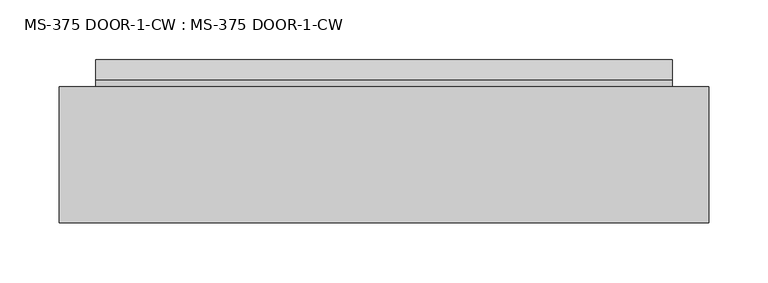
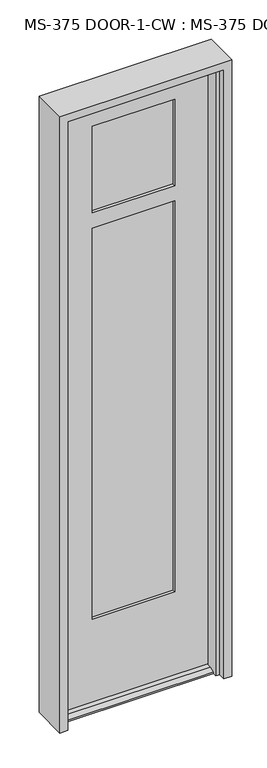
"""IFC4 building model written with IfcOpenShell, lengths in millimetres: plate geometry, MS-375 DOOR-1-CW : MS-375 DOOR-1-CW."""

import ifcopenshell
import ifcopenshell.guid

model = None  # the IFC model being written
_history = None  # IfcOwnerHistory: only IFC2X3 demands one
_inside = {}  # id of a spatial element -> (the spatial element, [elements in it])
_under = {}  # id of a project, library or spatial element -> (it, [spatial elements below it])
_declared = {}  # id of a project -> (the project, [libraries it declares])
_typed = {}  # id of a type object -> (the type object, [elements of that type])
_made_of = {}  # id of a material, layer set ... -> (it, [elements and type objects made of it])


def new_model(schema):
    """Start an empty IFC model of exactly this schema.

    Asked for "IFC4X3", IfcOpenShell would pick the latest addendum, in which some entities
    have other attributes; the version numbers below select the first issue.
    IFC2X3 requires an IfcOwnerHistory on every rooted entity: one is made here for all.
    """
    global model, _history
    if schema == "IFC4X3":
        model = ifcopenshell.file(schema_version=(4, 3, 0, 0))
    else:
        model = ifcopenshell.file(schema=schema)
    _inside.clear()
    _under.clear()
    _declared.clear()
    _typed.clear()
    _made_of.clear()
    _history = None
    if model.schema == "IFC2X3":
        org = make("IfcOrganization", Name="unknown")
        user = make(
            "IfcPersonAndOrganization",
            ThePerson=make("IfcPerson", FamilyName="unknown"),
            TheOrganization=org,
        )
        app = make(
            "IfcApplication",
            ApplicationDeveloper=org,
            Version="unknown",
            ApplicationFullName="unknown",
            ApplicationIdentifier="unknown",
        )
        _history = make(
            "IfcOwnerHistory",
            OwningUser=user,
            OwningApplication=app,
            ChangeAction="ADDED",
            CreationDate=0,
        )
    return model


def make(cls, **values):
    """One entity of the class cls with the attributes given. An attribute that is None is left unset."""
    return model.create_entity(
        cls, **{name: value for name, value in values.items() if value is not None}
    )


def rooted(cls, **values):
    """An entity with a GlobalId (a new one), such as an element, a storey or a relation."""
    return make(cls, GlobalId=ifcopenshell.guid.new(), OwnerHistory=_history, **values)


def si_unit(unit_type, name, prefix=None):
    """IfcSIUnit, for example si_unit("LENGTHUNIT", "METRE", prefix="MILLI")."""
    return make("IfcSIUnit", UnitType=unit_type, Prefix=prefix, Name=name)


def assignment(units):
    """IfcUnitAssignment: the units of a project."""
    return None if units is None else make("IfcUnitAssignment", Units=units)


def point(xyz):
    """IfcCartesianPoint."""
    return None if xyz is None else make("IfcCartesianPoint", Coordinates=xyz)


def direction(xyz):
    """IfcDirection."""
    return None if xyz is None else make("IfcDirection", DirectionRatios=xyz)


def frame(location, z_axis=None, x_axis=None):
    """IfcAxis2Placement3D, a coordinate frame: its origin and axes. An axis left out is left unset."""
    return make(
        "IfcAxis2Placement3D",
        Location=point(location),
        Axis=direction(z_axis),
        RefDirection=direction(x_axis),
    )


def origin():
    """The frame at (0, 0, 0) with its axes left unset."""
    return frame((0.0, 0.0, 0.0))


def place(relative_to, where):
    """IfcLocalPlacement: puts the frame where relative to a parent placement (None: the world)."""
    return make(
        "IfcLocalPlacement", PlacementRelTo=relative_to, RelativePlacement=where
    )


def context(
    kind, dimensions, precision=None, world=None, true_north=None, identifier=None
):
    """IfcGeometricRepresentationContext, for example the 3D "Model" context."""
    return make(
        "IfcGeometricRepresentationContext",
        ContextIdentifier=identifier,
        ContextType=kind,
        CoordinateSpaceDimension=dimensions,
        Precision=precision,
        WorldCoordinateSystem=world,
        TrueNorth=true_north,
    )


def project(units=None, contexts=None):
    """IfcProject with its units and contexts."""
    return rooted(
        "IfcProject",
        Name="project",
        RepresentationContexts=contexts,
        UnitsInContext=assignment(units),
    )


def spatial(cls, under=None, at=None, **own):
    """A site, building, storey or space (cls), placed at a placement, below another one or the project."""
    s = rooted(cls, ObjectPlacement=at, **own)
    if under is not None:
        _under.setdefault(under.id(), (under, []))[1].append(s)
    return s


def polyline(points):
    """IfcPolyline through the points."""
    return make("IfcPolyline", Points=[point(p) for p in points])


def outline(outer, holes=None, kind="AREA"):
    """IfcArbitraryClosedProfileDef: a profile drawn as a closed curve; with holes, ...WithVoids."""
    if holes is None:
        return make("IfcArbitraryClosedProfileDef", ProfileType=kind, OuterCurve=outer)
    return make(
        "IfcArbitraryProfileDefWithVoids",
        ProfileType=kind,
        OuterCurve=outer,
        InnerCurves=holes,
    )


def extrude(swept, where, along, depth):
    """IfcExtrudedAreaSolid: the profile swept, set in the frame where, extruded along a direction by depth."""
    return make(
        "IfcExtrudedAreaSolid",
        SweptArea=swept,
        Position=where,
        ExtrudedDirection=direction(along),
        Depth=depth,
    )


def faces_of(points, faces, orient=None, outer=None):
    """IfcFace entities. A face is a list of loops; a loop is a list of indices into points, from 0.

    orient and outer hold one flag for each loop. By default every Orientation is true, the
    first loop of a face is its IfcFaceOuterBound and the others are IfcFaceBound.
    """
    made = []
    for i, loops in enumerate(faces):
        bounds = []
        for j, loop in enumerate(loops):
            is_outer = j == 0 if outer is None else outer[i][j]
            bounds.append(
                make(
                    "IfcFaceOuterBound" if is_outer else "IfcFaceBound",
                    Bound=make("IfcPolyLoop", Polygon=[points[k] for k in loop]),
                    Orientation=True if orient is None else orient[i][j],
                )
            )
        made.append(make("IfcFace", Bounds=bounds))
    return made


def faceted_brep(points, faces, orient=None, outer=None, voids=None):
    """IfcFacetedBrep: a solid bounded by flat faces; with voids (closed shells), ...WithVoids."""
    shared = [point(p) for p in points]
    hull = make("IfcClosedShell", CfsFaces=faces_of(shared, faces, orient, outer))
    if voids is None:
        return make("IfcFacetedBrep", Outer=hull)
    return make(
        "IfcFacetedBrepWithVoids",
        Outer=hull,
        Voids=[
            make(cls, CfsFaces=faces_of(shared, fs, o, b)) for cls, fs, o, b in voids
        ],
    )


def shape(context_of_items, identifier, shape_type, items):
    """IfcShapeRepresentation: the items that make up one representation, for example the "Body"."""
    return make(
        "IfcShapeRepresentation",
        ContextOfItems=context_of_items,
        RepresentationIdentifier=identifier,
        RepresentationType=shape_type,
        Items=items,
    )


def source(mapping_origin, context_of_items, identifier, shape_type, items):
    """IfcRepresentationMap: a shape defined once, which mapped items show again and again."""
    return make(
        "IfcRepresentationMap",
        MappingOrigin=mapping_origin,
        MappedRepresentation=shape(context_of_items, identifier, shape_type, items),
    )


def transform(
    local_origin,
    x_axis=None,
    y_axis=None,
    z_axis=None,
    scale=None,
    scale2=None,
    scale3=None,
    uniform=True,
):
    """IfcCartesianTransformationOperator3D, or its non-uniform kind. x_axis, y_axis, z_axis: its Axis1, 2, 3."""
    if uniform:
        return make(
            "IfcCartesianTransformationOperator3D",
            Axis1=direction(x_axis),
            Axis2=direction(y_axis),
            LocalOrigin=point(local_origin),
            Scale=scale,
            Axis3=direction(z_axis),
        )
    return make(
        "IfcCartesianTransformationOperator3DnonUniform",
        Axis1=direction(x_axis),
        Axis2=direction(y_axis),
        LocalOrigin=point(local_origin),
        Scale=scale,
        Axis3=direction(z_axis),
        Scale2=scale2,
        Scale3=scale3,
    )


def mapped(mapping_source, mapping_target):
    """IfcMappedItem: shows the shape of a source again, moved by a transform."""
    return make(
        "IfcMappedItem", MappingSource=mapping_source, MappingTarget=mapping_target
    )


def made_of(thing, what):
    """Note that an element or type object is made of a material, layer set ...; save() writes the relation."""
    if what is not None:
        _made_of.setdefault(what.id(), (what, []))[1].append(thing)
    return thing


def element(
    cls,
    number,
    at=None,
    inside=None,
    cuts=None,
    type_object=None,
    material=None,
    context=None,
    identifier="Body",
    shape_type=None,
    held_by="IfcProductDefinitionShape",
    body=None,
    shapes=None,
    **own,
):
    """One element of the class cls, such as IfcWall. Its Tag is "e" and its number.

    at: its placement. inside: the storey or other place that contains it. cuts: it is an
    opening in that element (IfcRelVoidsElement). A single representation is given by context,
    identifier, shape_type and body (its items); several are given by shapes. held_by: the class
    of the entity that holds the representations. save() writes the other relations.
    """
    e = rooted(cls, Tag="e%d" % number, ObjectPlacement=at, **own)
    if body is not None:
        shapes = [shape(context, identifier, shape_type, body)]
    if shapes is not None:
        e.Representation = make(held_by, Representations=shapes)
    if inside is not None:
        _inside.setdefault(inside.id(), (inside, []))[1].append(e)
    if cuts is not None:
        rooted(
            "IfcRelVoidsElement", RelatingBuildingElement=cuts, RelatedOpeningElement=e
        )
    if type_object is not None:
        _typed.setdefault(type_object.id(), (type_object, []))[1].append(e)
    return made_of(e, material)


def aggregate(whole, parts):
    """IfcRelAggregates: a whole, such as a stair, and the parts it consists of."""
    return rooted("IfcRelAggregates", RelatingObject=whole, RelatedObjects=parts)


def save(model, path):
    """Write the relations noted so far, then the file.

    IfcRelAggregates (storeys below a building ...), IfcRelContainedInSpatialStructure (elements
    in a storey), IfcRelDefinesByType, IfcRelAssociatesMaterial and IfcRelDeclares: one each for
    every whole, place, type object, material and project.
    """
    for whole, parts in _under.values():
        aggregate(whole, parts)
    for where, things in _inside.values():
        rooted(
            "IfcRelContainedInSpatialStructure",
            RelatedElements=things,
            RelatingStructure=where,
        )
    for kind, things in _typed.values():
        rooted("IfcRelDefinesByType", RelatedObjects=things, RelatingType=kind)
    for what, things in _made_of.values():
        rooted("IfcRelAssociatesMaterial", RelatedObjects=things, RelatingMaterial=what)
    for by, libraries in _declared.values():
        rooted("IfcRelDeclares", RelatingContext=by, RelatedDefinitions=libraries)
    model.write(path)


def ms_375_door_1_cw_ms_375_door_1_cw_b697b41a(model_context):
    return source(origin(), model_context, "Body", "SolidModel", [
        faceted_brep([(242.6218299, -45.24375, 12.7), (242.6218299, -61.8934954, 12.7), (242.6218299, -78.5813408, 4.9183299), (242.6218299, -78.5813408, 0.0003044), (242.6218299, -45.24375, 0.0003044), (242.6218299, 23.01875, 0.0003044), (242.6218299, 23.01875, 4.9183299), (242.6218299, 6.3309046, 12.7), (242.6218299, -0.79375, 12.7), (242.6218299, -0.79375, 0.0003044), (-242.37847, -0.79375, 12.7), (-242.37847, 6.3309046, 12.7), (-242.37847, 23.01875, 4.9183299), (-242.37847, 23.01875, 0.0003044), (-242.37847, -0.79375, 0.0003044), (-242.37847, -78.5813408, 0.0003044), (-242.37847, -78.5813408, 4.9183299), (-242.37847, -61.8934954, 12.7), (-242.37847, -45.24375, 12.7), (-242.37847, -45.24375, 0.0003044), (245.3904299, -45.24375, 2041.5123), (242.6218299, -0.79375, 2041.5123), (-245.14707, -0.79375, 2041.5123), (-242.37847, -45.24375, 2041.5123), (131.0904299, -0.79375, 1945.46855), (131.0904299, -10.31875, 1945.46855), (-130.84707, -10.31875, 1945.46855), (-130.84707, -0.79375, 1945.46855), (138.2341799, -10.31875, 1952.6123), (138.2341799, -35.71875, 1952.6123), (-137.99082, -35.71875, 1952.6123), (-137.99082, -10.31875, 1952.6123), (131.0904299, -35.71875, 1945.46855), (131.0904299, -45.24375, 1945.46855), (-130.84707, -45.24375, 1945.46855), (-130.84707, -35.71875, 1945.46855), (138.2341799, -35.71875, 1611.2998), (-137.99082, -35.71875, 1611.2998), (-137.99082, -10.31875, 1611.2998), (138.2341799, -10.31875, 1611.2998), (-130.84707, -0.79375, 1604.15605), (131.0904299, -0.79375, 1604.15605), (131.0904299, -10.31875, 1604.15605), (-130.84707, -10.31875, 1604.15605), (131.0904299, -0.79375, 1654.95605), (-130.84707, -0.79375, 1654.95605), (-130.84707, -10.31875, 1654.95605), (131.0904299, -10.31875, 1654.95605), (-137.99082, -35.71875, 1647.8123), (138.2341799, -35.71875, 1647.8123), (138.2341799, -10.31875, 1647.8123), (-137.99082, -10.31875, 1647.8123), (131.0904299, -35.71875, 1654.95605), (-130.84707, -35.71875, 1654.95605), (-130.84707, -45.24375, 1654.95605), (131.0904299, -45.24375, 1654.95605), (-130.84707, -35.71875, 1604.15605), (131.0904299, -35.71875, 1604.15605), (131.0904299, -45.24375, 1604.15605), (-130.84707, -45.24375, 1604.15605), (138.2341799, -35.71875, 283.36875), (138.2341799, -10.31875, 283.36875), (-137.99082, -10.31875, 283.36875), (-137.99082, -35.71875, 283.36875), (-130.84707, -35.71875, 290.5125), (131.0904299, -35.71875, 290.5125), (131.0904299, -45.24375, 290.5125), (-130.84707, -45.24375, 290.5125), (245.3904299, -45.24375, 0.0), (-245.14707, -0.79375, 0.0003044), (-130.84707, -0.79375, 290.5125), (131.0904299, -0.79375, 290.5125), (131.0904299, -10.31875, 290.5125), (-130.84707, -10.31875, 290.5125)], [[[0, 1, 2, 3, 4]], [[5, 6, 7, 8, 9]], [[10, 11, 12, 13, 14]], [[15, 16, 17, 18, 19]], [[20, 21, 22, 23]], [[24, 25, 26, 27]], [[28, 29, 30, 31]], [[32, 33, 34, 35]], [[36, 37, 38, 39]], [[40, 41, 42, 43]], [[44, 45, 46, 47]], [[48, 49, 50, 51]], [[52, 53, 54, 55]], [[56, 57, 58, 59]], [[60, 61, 62, 63]], [[30, 29, 49, 48], [32, 35, 53, 52]], [[60, 63, 37, 36], [64, 65, 57, 56]], [[66, 65, 64, 67]], [[68, 20, 23, 18, 0, 4], [34, 33, 55, 54], [67, 59, 58, 66]], [[1, 0, 18, 17]], [[2, 1, 17, 16]], [[3, 2, 16, 15]], [[3, 15, 19, 69, 14, 13, 5, 9, 68, 4]], [[6, 5, 13, 12]], [[7, 6, 12, 11]], [[8, 7, 11, 10]], [[69, 22, 21, 8, 10, 14], [27, 45, 44, 24], [70, 71, 41, 40]], [[72, 71, 70, 73]], [[28, 31, 51, 50], [26, 25, 47, 46]], [[62, 61, 39, 38], [72, 73, 43, 42]], [[18, 23, 22, 69, 19]], [[35, 34, 54, 53]], [[67, 64, 56, 59]], [[37, 63, 62, 38]], [[51, 31, 30, 48]], [[27, 26, 46, 45]], [[73, 70, 40, 43]], [[25, 24, 44, 47]], [[71, 72, 42, 41]], [[49, 29, 28, 50]], [[39, 61, 60, 36]], [[33, 32, 52, 55]], [[65, 66, 58, 57]], [[8, 21, 20, 68, 9]]]),
        extrude(outline(polyline([(138.2341799, -35.71875), (-137.99082, -35.71875), (-137.99082, -29.41955), (138.2341799, -29.41955), (138.2341799, -35.71875)])), frame((0.0, 0.0, 1647.8123), z_axis=(0.0, 0.0, 1.0), x_axis=(1.0, 0.0, 0.0)), (0.0, 0.0, 1.0), 304.8),
        extrude(outline(polyline([(-137.99082, -10.31875), (138.2341799, -10.31875), (138.2341799, -16.61795), (-137.99082, -16.61795), (-137.99082, -10.31875)])), frame((0.0, 0.0, 1647.8123), z_axis=(0.0, 0.0, 1.0), x_axis=(1.0, 0.0, 0.0)), (0.0, 0.0, 1.0), 304.8),
        extrude(outline(polyline([(-137.99082, -16.61795), (-137.99082, -10.31875), (138.2341799, -10.31875), (138.2341799, -16.61795), (-137.99082, -16.61795)])), frame((0.0, 0.0, 283.36875), z_axis=(0.0, 0.0, 1.0), x_axis=(1.0, 0.0, 0.0)), (0.0, 0.0, 1.0), 1327.93105),
        extrude(outline(polyline([(-137.99082, -35.71875), (-137.99082, -29.41955), (138.2341799, -29.41955), (138.2341799, -35.71875), (-137.99082, -35.71875)])), frame((0.0, 0.0, 283.36875), z_axis=(0.0, 0.0, 1.0), x_axis=(1.0, 0.0, 0.0)), (0.0, 0.0, 1.0), 1327.93105),
        faceted_brep([(234.9499999, -50.038, 0.0), (247.6499999, -50.038, 0.0), (247.6499999, 0.0, 0.0), (273.0499999, 0.0, 0.0), (273.0499999, -114.3, 0.0), (247.6499999, -114.3, 0.0), (247.6499999, -91.313, 0.0), (234.9499999, -91.313, 0.0), (273.0499999, -114.3, 2070.0873), (273.0499999, 0.0, 2070.0873), (-273.0499999, 0.0, 2070.0873), (-273.0499999, -114.3, 2070.0873), (234.9499999, -50.038, 2031.9873), (-234.9499999, -50.038, 2031.9873), (-234.9499999, -50.038, 0.0), (-247.6499999, -50.038, 0.0), (-247.6499999, -50.038, 2044.6873), (247.6499999, -50.038, 2044.6873), (247.6499999, 0.0, 2044.6873), (-247.6499999, 0.0, 2044.6873), (-247.6499999, 0.0, 0.0), (-273.0499999, 0.0, 0.0), (-273.0499999, -114.3, 0.0), (-247.6499999, -114.3, 0.0), (-247.6499999, -114.3, 2044.6873), (247.6499999, -114.3, 2044.6873), (247.6499999, -91.313, 2044.6873), (-247.6499999, -91.313, 2044.6873), (-247.6499999, -91.313, 0.0), (-234.9499999, -91.313, 0.0), (-234.9499999, -91.313, 2031.9873), (234.9499999, -91.313, 2031.9873)], [[[0, 1, 2, 3, 4, 5, 6, 7]], [[8, 9, 10, 11]], [[1, 0, 12, 13, 14, 15, 16, 17]], [[2, 1, 17, 18]], [[3, 2, 18, 19, 20, 21, 10, 9]], [[8, 4, 3, 9]], [[5, 4, 8, 11, 22, 23, 24, 25]], [[26, 6, 5, 25]], [[7, 6, 26, 27, 28, 29, 30, 31]], [[0, 7, 31, 12]], [[14, 29, 28, 23, 22, 21, 20, 15]], [[29, 14, 13, 30]], [[23, 28, 27, 24]], [[10, 21, 22, 11]], [[16, 15, 20, 19]], [[27, 26, 25, 24]], [[17, 16, 19, 18]], [[13, 12, 31, 30]]]),
    ])


if __name__ == "__main__":
    model = new_model("IFC4")
    model_context = context("Model", 3, world=origin())
    ifc_project = project(units=[si_unit("LENGTHUNIT", "METRE", prefix="MILLI")], contexts=[model_context])
    site = spatial("IfcSite", under=ifc_project)
    building = spatial("IfcBuilding", under=site)
    placement = place(None, origin())
    ms_375_door_1_cw_ms_375_door_1_cw_shape = ms_375_door_1_cw_ms_375_door_1_cw_b697b41a(model_context)
    element("IfcPlate", 1, ObjectType="MS-375 DOOR-1-CW : MS-375 DOOR-1-CW", at=placement, inside=building, context=model_context, shape_type="MappedRepresentation", body=[
        mapped(ms_375_door_1_cw_ms_375_door_1_cw_shape, transform((0.0, 0.0, 0.0), x_axis=(1.0, 0.0, 0.0), y_axis=(0.0, 1.0, 0.0), z_axis=(0.0, 0.0, 1.0))),
    ])
    save(model, "model.ifc")
